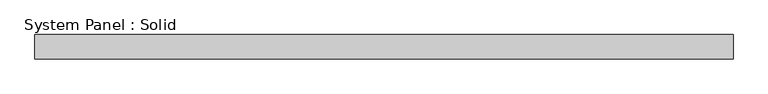
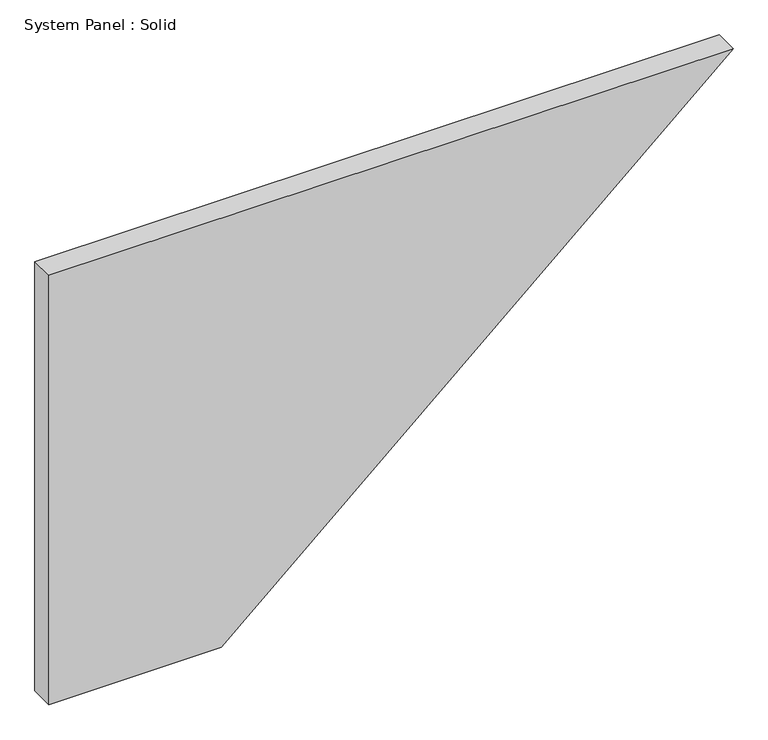
"""IFC4 building model written with IfcOpenShell, lengths in millimetres: plate geometry, System Panel : Solid."""

from ifc_helpers import new_model, si_unit, frame, origin, place, context, project, spatial, polyline, outline, extrude, source, transform, mapped, element, save


def system_panel_solid_d41fc843(model_context):
    return source(origin(), model_context, "Body", "SweptSolid", [
        extrude(outline(polyline([(0.0, -859.3589007), (0.0, -425.5893971), (1140.0, 859.3589007), (1140.0, -859.3589007), (0.0, -859.3589007)])), frame((0.0, -10.5, 0.0), z_axis=(0.0, 1.0, 0.0), x_axis=(0.0, 0.0, 1.0)), (0.0, 0.0, 1.0), 60.0),
    ])


if __name__ == "__main__":
    model = new_model("IFC4")
    model_context = context("Model", 3, world=origin())
    ifc_project = project(units=[si_unit("LENGTHUNIT", "METRE", prefix="MILLI")], contexts=[model_context])
    site = spatial("IfcSite", under=ifc_project)
    building = spatial("IfcBuilding", under=site)
    placement = place(None, origin())
    system_panel_solid_shape = system_panel_solid_d41fc843(model_context)
    element("IfcPlate", 1, ObjectType="System Panel : Solid", at=placement, inside=building, context=model_context, shape_type="MappedRepresentation", body=[
        mapped(system_panel_solid_shape, transform((0.0, 0.0, 0.0), x_axis=(1.0, 0.0, 0.0), y_axis=(0.0, 1.0, 0.0), z_axis=(0.0, 0.0, 1.0))),
    ])
    save(model, "model.ifc")
